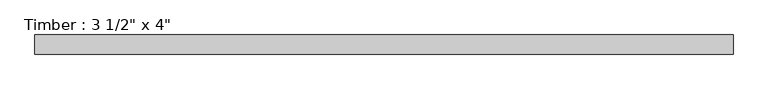
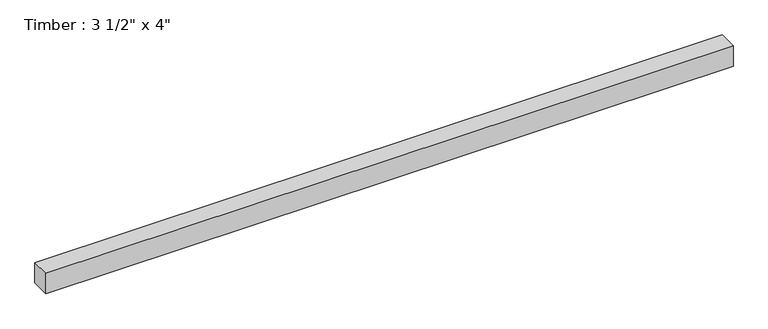
"""IFC4 building model written with IfcOpenShell, lengths in millimetres: beam geometry."""

from ifc_helpers import new_model, si_unit, frame, origin, place, context, project, spatial, polyline, outline, extrude, source, transform, mapped, element, save


def beam_644709f0(model_context):
    return source(origin(), model_context, "Body", "SweptSolid", [
        extrude(outline(polyline([(1618.2864635, 44.45), (1618.2864635, -44.45), (-1618.2864635, -44.45), (-1618.2864635, 44.45), (1618.2864635, 44.45)])), frame((0.0, 0.0, -50.8), z_axis=(0.0, 0.0, 1.0), x_axis=(1.0, 0.0, 0.0)), (0.0, 0.0, 1.0), 101.6),
    ])


if __name__ == "__main__":
    model = new_model("IFC4")
    model_context = context("Model", 3, world=origin())
    ifc_project = project(units=[si_unit("LENGTHUNIT", "METRE", prefix="MILLI")], contexts=[model_context])
    site = spatial("IfcSite", under=ifc_project)
    building = spatial("IfcBuilding", under=site)
    placement = place(None, origin())
    beam_shape = beam_644709f0(model_context)
    element("IfcBeam", 1, ObjectType="Timber : 3 1/2\" x 4\"", at=placement, inside=building, context=model_context, shape_type="MappedRepresentation", body=[
        mapped(beam_shape, transform((0.0, 0.0, 0.0), x_axis=(1.0, 0.0, 0.0), y_axis=(0.0, 1.0, 0.0), z_axis=(0.0, 0.0, 1.0))),
    ])
    save(model, "model.ifc")
